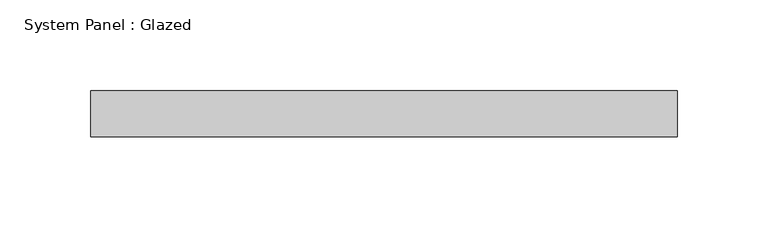
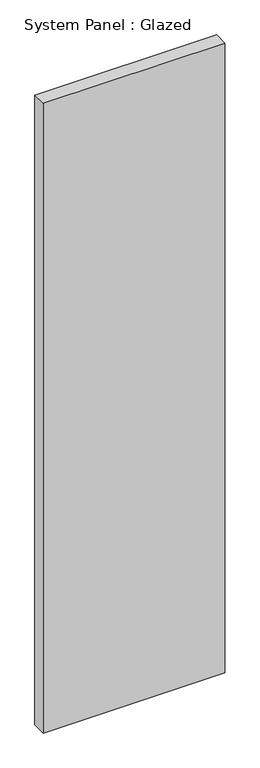
"""IFC4 building model written with IfcOpenShell, lengths in millimetres: plate geometry, System Panel : Glazed."""

from ifc_helpers import new_model, si_unit, origin, origin_with_axes, place, context, project, spatial, polyline, outline, extrude, source, transform, mapped, element, save


def system_panel_glazed_6d9b1cfe(model_context):
    return source(origin(), model_context, "Body", "SweptSolid", [
        extrude(outline(polyline([(161.925, -12.7), (-161.925, -12.7), (-161.925, 12.7), (161.925, 12.7), (161.925, -12.7)])), origin_with_axes(), (0.0, 0.0, 1.0), 1187.45),
    ])


if __name__ == "__main__":
    model = new_model("IFC4")
    model_context = context("Model", 3, world=origin())
    ifc_project = project(units=[si_unit("LENGTHUNIT", "METRE", prefix="MILLI")], contexts=[model_context])
    site = spatial("IfcSite", under=ifc_project)
    building = spatial("IfcBuilding", under=site)
    placement = place(None, origin())
    system_panel_glazed_shape = system_panel_glazed_6d9b1cfe(model_context)
    element("IfcPlate", 1, ObjectType="System Panel : Glazed", at=placement, inside=building, context=model_context, shape_type="MappedRepresentation", body=[
        mapped(system_panel_glazed_shape, transform((0.0, 0.0, 0.0), x_axis=(1.0, 0.0, 0.0), y_axis=(0.0, 1.0, 0.0), z_axis=(0.0, 0.0, 1.0))),
    ])
    save(model, "model.ifc")
